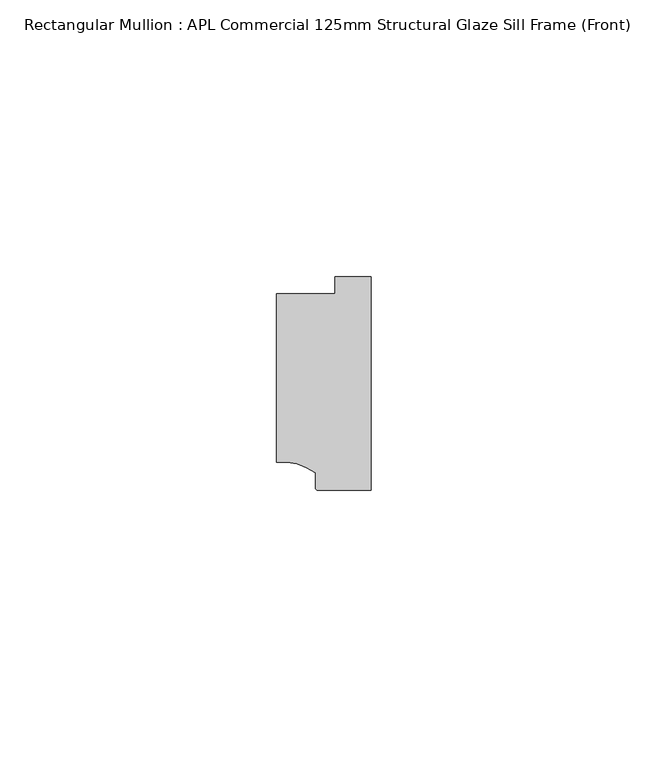
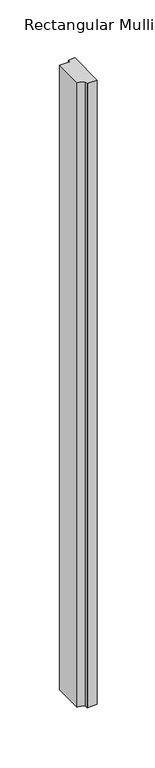
"""IFC4 building model written with IfcOpenShell, lengths in millimetres: member geometry, Rectangular Mullion : APL Commercial 125mm Structural Glaze Sill Frame (Front)."""

from ifc_helpers import new_model, si_unit, point, frame, frame_2d, origin, place, context, project, spatial, polyline, circle_curve, trimmed, segment, composite_curve, outline, extrude, source, transform, mapped, element, save


def rectangular_mullion_apl_commercial_125mm_structural_glaze_acef0444(model_context):
    return source(origin(), model_context, "Body", "SweptSolid", [
        extrude(outline(composite_curve([segment(polyline([(-16.999942, -15.3793144), (-16.999942, 15.0004332), (-6.5000029, 15.0004332), (-6.5000029, 18.0281616), (0.0, 18.0281616), (0.0, -20.49978), (-9.5000029, -20.49978)]), True, "CONTINUOUS"), segment(trimmed(circle_curve(frame_2d((-9.5000029, -19.99978)), 0.5), [point((-9.5000029, -20.49978))], [point((-10.0, -19.9980675))], False, "CARTESIAN"), True, "CONTINUOUS"), segment(polyline([(-10.0, -19.9980675), (-10.0, -17.3120901)]), True, "CONTINUOUS"), segment(trimmed(circle_curve(frame_2d((-16.1098048, -25.7977481)), 10.4563907), [point((-10.0, -17.3120901))], [point((-16.999942, -15.3793144))], True, "CARTESIAN"), True, "CONTINUOUS")], self_intersect=False)), frame((0.0, 0.0, -657.1423128), z_axis=(0.0, 0.0, 1.0), x_axis=(1.0, 0.0, 0.0)), (0.0, 0.0, 1.0), 657.1423128),
    ])


if __name__ == "__main__":
    model = new_model("IFC4")
    model_context = context("Model", 3, world=origin())
    ifc_project = project(units=[si_unit("LENGTHUNIT", "METRE", prefix="MILLI")], contexts=[model_context])
    site = spatial("IfcSite", under=ifc_project)
    building = spatial("IfcBuilding", under=site)
    placement = place(None, origin())
    rectangular_mullion_apl_commercial_125mm_structural_glaze_shape = rectangular_mullion_apl_commercial_125mm_structural_glaze_acef0444(model_context)
    element("IfcMember", 1, ObjectType="Rectangular Mullion : APL Commercial 125mm Structural Glaze Sill Frame (Front)", at=placement, inside=building, context=model_context, shape_type="MappedRepresentation", body=[
        mapped(rectangular_mullion_apl_commercial_125mm_structural_glaze_shape, transform((0.0, 0.0, 0.0), x_axis=(1.0, 0.0, 0.0), y_axis=(0.0, 1.0, 0.0), z_axis=(0.0, 0.0, 1.0))),
    ])
    save(model, "model.ifc")
